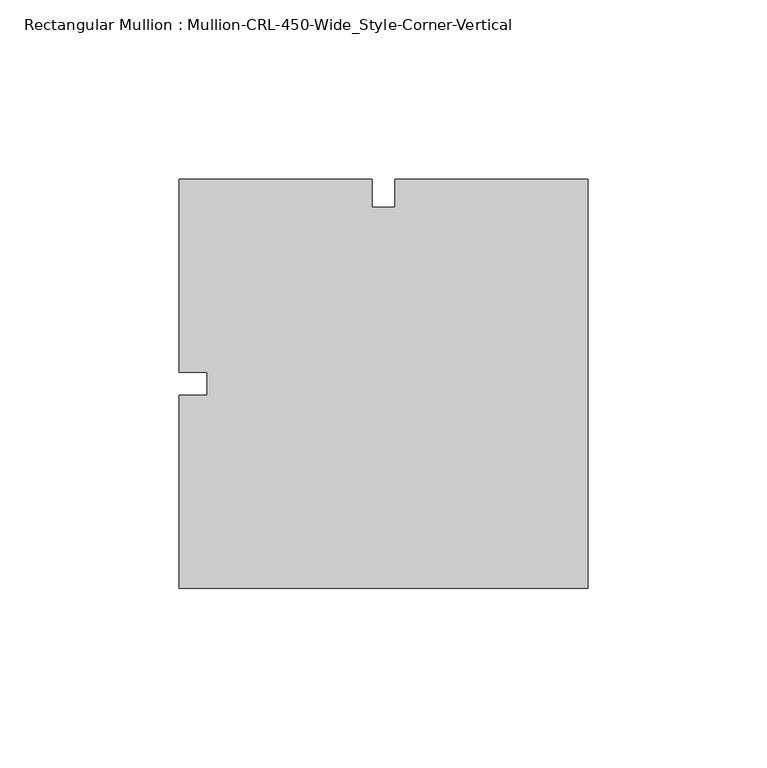
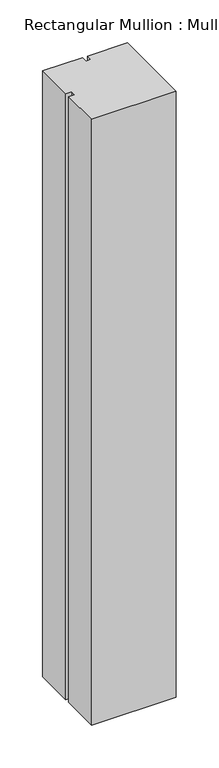
"""IFC4 building model written with IfcOpenShell, lengths in millimetres: member geometry, Rectangular Mullion : Mullion-CRL-450-Wide_Style-Corner-Vertical."""

from ifc_helpers import new_model, si_unit, frame, origin, place, context, project, spatial, polyline, outline, extrude, source, transform, mapped, element, save


def rectangular_mullion_mullion_crl_450_wide_style_corner_a441be64(model_context):
    return source(origin(), model_context, "Body", "SweptSolid", [
        extrude(outline(polyline([(-114.3, -57.15), (-114.3, -3.175), (-106.3625, -3.175), (-106.3625, 3.175), (-114.3, 3.175), (-114.3, 57.15), (-60.3340868, 57.15), (-60.3340868, 49.2125), (-53.9659132, 49.2125), (-53.9659132, 57.15), (0.0, 57.15), (0.0, -57.15), (-114.3, -57.15)])), frame((0.0, 0.0, -863.6), z_axis=(0.0, 0.0, 1.0), x_axis=(1.0, 0.0, 0.0)), (0.0, 0.0, 1.0), 863.6),
    ])


if __name__ == "__main__":
    model = new_model("IFC4")
    model_context = context("Model", 3, world=origin())
    ifc_project = project(units=[si_unit("LENGTHUNIT", "METRE", prefix="MILLI")], contexts=[model_context])
    site = spatial("IfcSite", under=ifc_project)
    building = spatial("IfcBuilding", under=site)
    placement = place(None, origin())
    rectangular_mullion_mullion_crl_450_wide_style_corner_shape = rectangular_mullion_mullion_crl_450_wide_style_corner_a441be64(model_context)
    element("IfcMember", 1, ObjectType="Rectangular Mullion : Mullion-CRL-450-Wide_Style-Corner-Vertical", at=placement, inside=building, context=model_context, shape_type="MappedRepresentation", body=[
        mapped(rectangular_mullion_mullion_crl_450_wide_style_corner_shape, transform((0.0, 0.0, 0.0), x_axis=(1.0, 0.0, 0.0), y_axis=(0.0, 1.0, 0.0), z_axis=(0.0, 0.0, 1.0))),
    ])
    save(model, "model.ifc")
